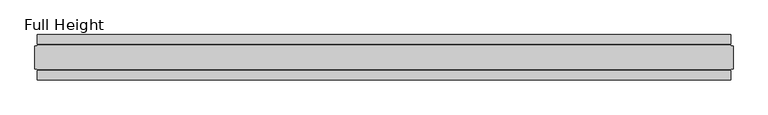
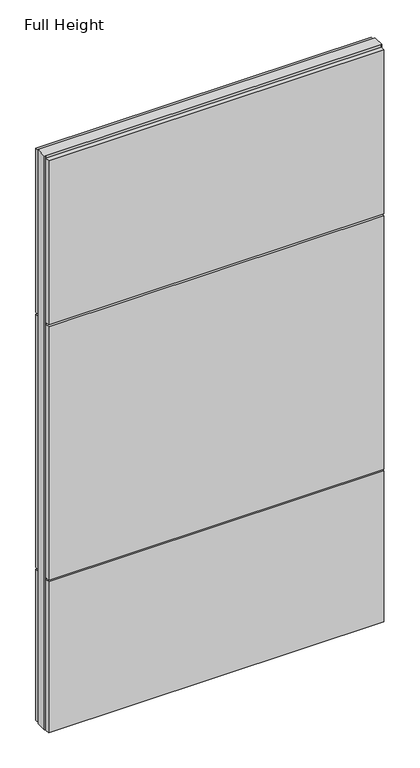
"""IFC4 building model written with IfcOpenShell, lengths in millimetres: plate geometry, Full Height."""

from ifc_helpers import new_model, si_unit, frame, origin, origin_with_axes, place, context, project, spatial, polyline, outline, extrude, source, transform, mapped, element, save


def full_height_b45832b5(model_context):
    return source(origin(), model_context, "Body", "SweptSolid", [
        extrude(outline(polyline([(757.428, 28.956), (-757.428, 28.956), (-757.428, 49.53), (757.428, 49.53), (757.428, 28.956)])), frame((0.0, 0.0, 1949.196), z_axis=(0.0, 0.0, 1.0), x_axis=(1.0, 0.0, 0.0)), (0.0, 0.0, 1.0), 784.86),
        extrude(outline(polyline([(757.428, 28.956), (-757.428, 28.956), (-757.428, 49.53), (757.428, 49.53), (757.428, 28.956)])), frame((0.0, 0.0, 729.996), z_axis=(0.0, 0.0, 1.0), x_axis=(1.0, 0.0, 0.0)), (0.0, 0.0, 1.0), 1210.056),
        extrude(outline(polyline([(757.428, 28.956), (-757.428, 28.956), (-757.428, 49.53), (757.428, 49.53), (757.428, 28.956)])), origin_with_axes(), (0.0, 0.0, 1.0), 720.852),
        extrude(outline(polyline([(757.428, -28.956), (757.428, -49.53), (-757.428, -49.53), (-757.428, -28.956), (757.428, -28.956)])), frame((0.0, 0.0, 1949.196), z_axis=(0.0, 0.0, 1.0), x_axis=(1.0, 0.0, 0.0)), (0.0, 0.0, 1.0), 784.86),
        extrude(outline(polyline([(757.428, -28.956), (757.428, -49.53), (-757.428, -49.53), (-757.428, -28.956), (757.428, -28.956)])), frame((0.0, 0.0, 729.996), z_axis=(0.0, 0.0, 1.0), x_axis=(1.0, 0.0, 0.0)), (0.0, 0.0, 1.0), 1210.056),
        extrude(outline(polyline([(757.428, -28.956), (757.428, -49.53), (-757.428, -49.53), (-757.428, -28.956), (757.428, -28.956)])), origin_with_axes(), (0.0, 0.0, 1.0), 720.852),
        extrude(outline(polyline([(757.428, -25.146), (757.428, -26.67), (-757.428, -26.67), (-757.428, -25.146), (-762.0, -25.146), (-762.0, 25.146), (-757.428, 25.146), (-757.428, 26.67), (757.428, 26.67), (757.428, 25.146), (762.0, 25.146), (762.0, -25.146), (757.428, -25.146)])), origin_with_axes(), (0.0, 0.0, 1.0), 2743.2),
    ])


if __name__ == "__main__":
    model = new_model("IFC4")
    model_context = context("Model", 3, world=origin())
    ifc_project = project(units=[si_unit("LENGTHUNIT", "METRE", prefix="MILLI")], contexts=[model_context])
    site = spatial("IfcSite", under=ifc_project)
    building = spatial("IfcBuilding", under=site)
    placement = place(None, origin())
    full_height_shape = full_height_b45832b5(model_context)
    element("IfcPlate", 1, ObjectType="Full Height", at=placement, inside=building, context=model_context, shape_type="MappedRepresentation", body=[
        mapped(full_height_shape, transform((0.0, 0.0, 0.0), x_axis=(1.0, 0.0, 0.0), y_axis=(0.0, 1.0, 0.0), z_axis=(0.0, 0.0, 1.0))),
    ])
    save(model, "model.ifc")
